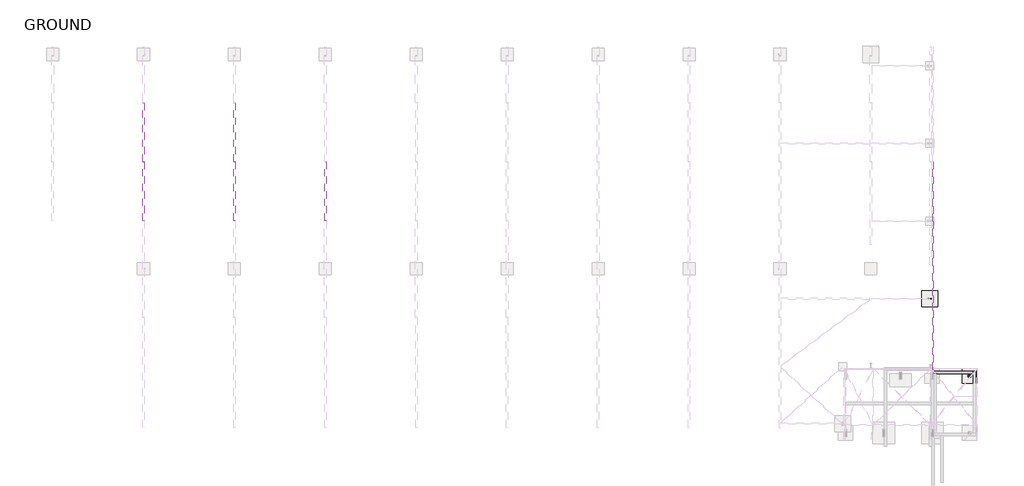
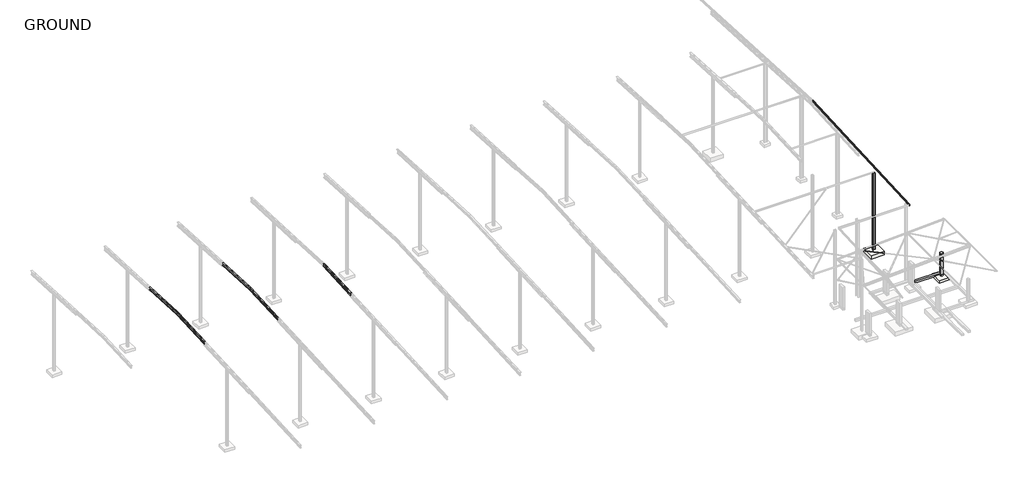
# One storey, part 51 of 56: 7 beams, 2 columns, 2 slabs.
"""IFC4 building model written with IfcOpenShell, lengths in millimetres."""

from ifc_helpers import new_model, si_unit, point, frame, frame_2d, origin, place, context, project, spatial, polyline, circle_curve, ellipse_curve, trimmed, segment, composite_curve, outline, extrude, faceted_brep, element, save
from ifc_brep_helpers import plane_surface, revolved_surface, advanced_brep

model = new_model("IFC4")

# Units and contexts
model_context = context("Model", 3, world=origin())
ifc_project = project(units=[si_unit("LENGTHUNIT", "METRE", prefix="MILLI")], contexts=[model_context])

# Site, building, storey
site = spatial("IfcSite", under=ifc_project)
building = spatial("IfcBuilding", under=site)
storey = spatial("IfcBuildingStorey", under=building, Name="GROUND", Elevation=47100.0)

# Beams
placement = place(None, origin())
element("IfcBeam", 1, ObjectType="BP1-C25019", at=placement, inside=storey, context=model_context, shape_type="Brep", body=[
    faceted_brep([(-29148.4862701, 177086.28001, 59444.4930881), (-29148.4862701, 177087.483737, 59421.5246088), (-29146.5862701, 177087.483737, 59421.5246088), (-29146.5862701, 177086.3794483, 59442.595692), (-29077.8862701, 177086.3794483, 59442.595692), (-29077.8862701, 177099.4739046, 59192.7385824), (-29146.5862701, 177099.4739046, 59192.7385824), (-29146.5862701, 177098.3696159, 59213.8096656), (-29148.4862701, 177098.3696159, 59213.8096656), (-29148.4862701, 177099.5733429, 59190.8411863), (-29075.9862701, 177099.5733429, 59190.8411863), (-29075.9862701, 177086.28001, 59444.4930881), (-29148.4862701, 202970.0, 60801.0013723), (-29148.4862701, 202970.0, 60777.9698084), (-29146.5862701, 202970.0, 60777.9698084), (-29146.5862701, 202970.0, 60799.0987649), (-29077.8862701, 202970.0, 60799.0987649), (-29077.8862701, 202970.0, 60548.5554039), (-29146.5862701, 202970.0, 60548.5554039), (-29146.5862701, 202970.0, 60569.6843604), (-29148.4862701, 202970.0, 60569.6843604), (-29148.4862701, 202970.0, 60546.6527965), (-29075.9862701, 202970.0, 60546.6527965), (-29075.9862701, 202970.0, 60801.0013723)], [[[0, 1, 2, 3, 4, 5, 6, 7, 8, 9, 10, 11]], [[1, 0, 12, 13]], [[2, 1, 13, 14]], [[3, 2, 14, 15]], [[4, 3, 15, 16]], [[5, 4, 16, 17]], [[6, 5, 17, 18]], [[7, 6, 18, 19]], [[8, 7, 19, 20]], [[9, 8, 20, 21]], [[10, 9, 21, 22]], [[11, 10, 22, 23]], [[0, 11, 23, 12]], [[12, 23, 22, 21, 20, 19, 18, 17, 16, 15, 14, 13]]]),
])
element("IfcBeam", 2, ObjectType="NRP_Concrete Beam : EB1 - 400 x 300", at=placement, inside=storey, context=model_context, shape_type="Brep", body=[
    faceted_brep([(-24096.9863178, 176639.0, 46900.0), (-28725.9863178, 176639.0, 46900.0), (-29025.9863178, 176639.0, 46900.0), (-29025.9863178, 176639.0, 46800.0), (-28961.5907618, 176639.0, 46800.0), (-28961.5907618, 176639.0, 46700.0), (-28725.9863178, 176639.0, 46700.0), (-28325.9863178, 176639.0, 46700.0), (-28325.9863178, 176639.0, 46600.0), (-25481.9363178, 176639.0, 46600.0), (-25481.9363178, 176639.0, 46700.0), (-24096.9863178, 176639.0, 46700.0), (-25481.9363178, 176939.0, 46600.0), (-28325.9863178, 176939.0, 46600.0), (-29025.9863178, 176939.0, 46900.0), (-24096.9863178, 176939.0, 46900.0), (-24096.9863178, 176939.0, 46700.0), (-25481.9363178, 176939.0, 46700.0), (-28325.9863178, 176939.0, 46700.0), (-28961.5907618, 176939.0, 46700.0), (-28961.5907618, 176939.0, 46800.0), (-29025.9863178, 176939.0, 46800.0)], [[[0, 1, 2, 3, 4, 5, 6, 7, 8, 9, 10, 11]], [[12, 9, 8, 13]], [[14, 15, 16, 17, 12, 13, 18, 19, 20, 21]], [[15, 0, 11, 16]], [[2, 1, 0, 15, 14]], [[11, 10, 17, 16]], [[10, 9, 12, 17]], [[18, 7, 6, 5, 19]], [[8, 7, 18, 13]], [[2, 14, 21, 3]], [[4, 20, 19, 5]], [[20, 4, 3, 21]]]),
])
element("IfcBeam", 3, ObjectType="R10-410UB59.7", at=placement, inside=storey, context=model_context, shape_type="AdvancedBrep", body=[
    advanced_brep(
    [(-127230.1885398, 202970.0, 60153.9145624), (-127241.5885398, 202970.0, 60142.4989176), (-127241.5885398, 195650.3170897, 59758.8905912), (-127230.1885398, 195649.7204598, 59770.2749679), (-127230.1885398, 202970.0, 60512.4058622), (-127230.1885398, 195630.9841874, 60127.7843414), (-127241.5885398, 202970.0, 60523.821507), (-127241.5885398, 195630.3875575, 60139.1687181), (-127315.2885398, 202970.0, 60523.821507), (-127315.2885398, 195630.3875575, 60139.1687181), (-127315.2885398, 202970.0, 60536.639073), (-127315.2885398, 195629.7176573, 60151.9511761), (-127137.2885398, 202970.0, 60536.639073), (-127137.2885398, 195629.7176573, 60151.9511761), (-127137.2885398, 202970.0, 60523.821507), (-127137.2885398, 195630.3875575, 60139.1687181), (-127315.2885398, 195650.3170897, 59758.8905912), (-127315.2885398, 195650.9869899, 59746.1081332), (-127137.2885398, 195650.9869899, 59746.1081332), (-127137.2885398, 195650.3170897, 59758.8905912), (-127210.9885398, 195650.3170897, 59758.8905912), (-127222.3885398, 195649.7204598, 59770.2749679), (-127222.3885398, 195630.9841874, 60127.7843414), (-127210.9885398, 195630.3875575, 60139.1687181), (-127315.2885398, 202970.0, 60142.4989176), (-127210.9885398, 202970.0, 60523.821507), (-127222.3885398, 202970.0, 60512.4058622), (-127222.3885398, 202970.0, 60153.9145624), (-127210.9885398, 202970.0, 60142.4989176), (-127137.2885398, 202970.0, 60142.4989176), (-127137.2885398, 202970.0, 60129.6813516), (-127315.2885398, 202970.0, 60129.6813516)],
    [
        (0, 1, ellipse_curve(frame((-127241.5885398, 202970.0, 60153.9145624), z_axis=(0.0, 1.0, 0.0), x_axis=(0.0, 0.0, -0.9999999999999999)), 11.4156447, 11.4)),
        (1, 2),
        (2, 3, circle_curve(frame((-127241.5885398, 195649.7204598, 59770.2749679), z_axis=(0.0, -0.9986295347545777, -0.05233595624287094), x_axis=(1.0, 0.0, 0.0)), 11.4)),
        (3, 0),
        (4, 0),
        (3, 5),
        (5, 4),
        (6, 4, ellipse_curve(frame((-127241.5885398, 202970.0, 60512.4058622), z_axis=(0.0, 1.0, 0.0), x_axis=(0.0, 0.0, -0.9999999999999999)), 11.4156447, 11.4)),
        (5, 7, circle_curve(frame((-127241.5885398, 195630.9841874, 60127.7843414), z_axis=(0.0, -0.9986295347545777, -0.05233595624287094), x_axis=(1.0, 0.0, 0.0)), 11.4)),
        (7, 6),
        (8, 6),
        (7, 9),
        (9, 8),
        (10, 8),
        (9, 11),
        (11, 10),
        (12, 10),
        (11, 13),
        (13, 12),
        (14, 12),
        (13, 15),
        (15, 14),
        (16, 17),
        (17, 18),
        (18, 19),
        (19, 20),
        (20, 21, circle_curve(frame((-127210.9885398, 195649.7204598, 59770.2749679), z_axis=(0.0, 0.9986295347545777, 0.05233595624287094), x_axis=(1.0, 0.0, 0.0)), 11.4)),
        (21, 22),
        (22, 23, circle_curve(frame((-127210.9885398, 195630.9841874, 60127.7843414), z_axis=(0.0, 0.9986295347545777, 0.05233595624287094), x_axis=(1.0, 0.0, 0.0)), 11.4)),
        (23, 15),
        (2, 16),
        (1, 24),
        (24, 16),
        (25, 14),
        (23, 25),
        (26, 25, ellipse_curve(frame((-127210.9885398, 202970.0, 60512.4058622), z_axis=(0.0, 1.0, 0.0), x_axis=(0.0, 0.0, -0.9999999999999999)), 11.4156447, 11.4)),
        (22, 26),
        (27, 26),
        (21, 27),
        (28, 27, ellipse_curve(frame((-127210.9885398, 202970.0, 60153.9145624), z_axis=(0.0, 1.0, 0.0), x_axis=(0.0, 0.0, -0.9999999999999999)), 11.4156447, 11.4)),
        (20, 28),
        (29, 28),
        (19, 29),
        (30, 29),
        (18, 30),
        (31, 30),
        (17, 31),
        (24, 31),
    ],
    [
        revolved_surface(polyline([(-127230.1885398, 195649.72045979777, 59770.27496791633), (-127230.1885398, 202970.59662990153, 60153.94583039707)]), (-127241.5885398, 202957.6913951, 60153.2694957), (0.0, -0.9986295347545777, -0.05233595624287094)),
        plane_surface(frame((-127230.1885398, 202957.6913951, 60153.2694957), z_axis=(-1.0, 0.0, 0.0), x_axis=(0.0, -0.9986295347545777, -0.05233595624287094))),
        revolved_surface(polyline([(-127230.1885398, 195630.98418739942, 60127.784341411185), (-127230.1885398, 202970.5966299003, 60512.43713032029)]), (-127241.5885398, 202938.9551228, 60510.7788692), (0.0, -0.9986295347545777, -0.05233595624287094)),
        plane_surface(frame((-127241.5885398, 202938.3584929, 60522.1632459), z_axis=(0.0, 0.05233595624287094, -0.9986295347545777), x_axis=(0.0, -0.9986295347545777, -0.05233595624287094))),
        plane_surface(frame((-127315.2885398, 202938.3584929, 60522.1632459), z_axis=(-1.0, 0.0, 0.0), x_axis=(0.0, -0.9986295347545777, -0.05233595624287094))),
        plane_surface(frame((-127315.2885398, 202937.6885926, 60534.9457039), z_axis=(0.0, -0.05233595624287094, 0.9986295347545777), x_axis=(0.0, -0.9986295347545777, -0.05233595624287094))),
        plane_surface(frame((-127137.2885398, 202937.6885926, 60534.9457039), z_axis=(1.0, 0.0, 0.0), x_axis=(0.0, -0.9986295347545777, -0.05233595624287094))),
        plane_surface(frame((-127226.2885398, 195640.3523236, 59949.0296546), z_axis=(0.0, -0.9986295347545777, -0.05233595624287096), x_axis=(0.0, -0.05233595624287096, 0.9986295347545777))),
        plane_surface(frame((-127315.2885398, 202958.288025, 60141.885119), z_axis=(0.0, -0.05233595624287094, 0.9986295347545777), x_axis=(0.0, -0.9986295347545777, -0.05233595624287094))),
        plane_surface(frame((-127137.2885398, 202938.3584929, 60522.1632459), z_axis=(0.0, 0.05233595624287094, -0.9986295347545777), x_axis=(0.0, -0.9986295347545777, -0.05233595624287094))),
        revolved_surface(polyline([(-127199.58853980001, 195630.98418739942, 60127.784341411185), (-127199.58853980001, 202970.5966299003, 60512.43713032029)]), (-127210.9885398, 202938.9551228, 60510.7788692), (0.0, -0.9986295347545777, -0.05233595624287094)),
        plane_surface(frame((-127222.3885398, 202938.9551228, 60510.7788692), z_axis=(1.0, 0.0, 0.0), x_axis=(0.0, -0.9986295347545777, -0.05233595624287094))),
        revolved_surface(polyline([(-127199.58853980001, 195649.72045979777, 59770.27496791633), (-127199.58853980001, 202970.59662990153, 60153.94583039707)]), (-127210.9885398, 202957.6913951, 60153.2694957), (0.0, -0.9986295347545777, -0.05233595624287094)),
        plane_surface(frame((-127210.9885398, 202958.288025, 60141.885119), z_axis=(0.0, -0.05233595624287094, 0.9986295347545777), x_axis=(0.0, -0.9986295347545777, -0.05233595624287094))),
        plane_surface(frame((-127137.2885398, 202958.288025, 60141.885119), z_axis=(1.0, 0.0, 0.0), x_axis=(0.0, -0.9986295347545777, -0.05233595624287094))),
        plane_surface(frame((-127137.2885398, 202958.9579253, 60129.102661), z_axis=(0.0, 0.05233595624287094, -0.9986295347545777), x_axis=(0.0, -0.9986295347545777, -0.05233595624287094))),
        plane_surface(frame((-127315.2885398, 202958.9579253, 60129.102661), z_axis=(-1.0, 0.0, 0.0), x_axis=(0.0, -0.9986295347545777, -0.05233595624287094))),
        plane_surface(frame((-127226.2885398, 202970.0, 60129.6813516), z_axis=(0.0, 1.0, 0.0), x_axis=(0.0, 0.0, -1.0))),
    ],
    [
        (0, [[1, 2, 3, 4]]),
        (1, [[5, -4, 6, 7]]),
        (2, [[8, -7, 9, 10]]),
        (3, [[11, -10, 12, 13]]),
        (4, [[14, -13, 15, 16]]),
        (5, [[17, -16, 18, 19]]),
        (6, [[20, -19, 21, 22]]),
        (7, [[23, 24, 25, 26, 27, 28, 29, 30, -21, -18, -15, -12, -9, -6, -3, 31]]),
        (8, [[32, 33, -31, -2]]),
        (9, [[34, -22, -30, 35]]),
        (10, [[36, -35, -29, 37]]),
        (11, [[38, -37, -28, 39]]),
        (12, [[40, -39, -27, 41]]),
        (13, [[42, -41, -26, 43]]),
        (14, [[44, -43, -25, 45]]),
        (15, [[46, -45, -24, 47]]),
        (16, [[48, -47, -23, -33]]),
        (17, [[-32, -1, -5, -8, -11, -14, -17, -20, -34, -36, -38, -40, -42, -44, -46, -48]]),
    ],
),
])
element("IfcBeam", 4, ObjectType="R10-410UB59.7", at=placement, inside=storey, context=model_context, shape_type="AdvancedBrep", body=[
    advanced_brep(
    [(-115930.1885398, 202970.0, 60153.9145624), (-115941.5885398, 202970.0, 60142.4989176), (-115941.5885398, 195650.3170897, 59758.8905912), (-115930.1885398, 195649.7204598, 59770.2749679), (-115930.1885398, 202970.0, 60512.4058622), (-115930.1885398, 195630.9841874, 60127.7843414), (-115941.5885398, 202970.0, 60523.821507), (-115941.5885398, 195630.3875575, 60139.1687181), (-116015.2885398, 202970.0, 60523.821507), (-116015.2885398, 195630.3875575, 60139.1687181), (-116015.2885398, 202970.0, 60536.639073), (-116015.2885398, 195629.7176573, 60151.9511761), (-115837.2885398, 202970.0, 60536.639073), (-115837.2885398, 195629.7176573, 60151.9511761), (-115837.2885398, 202970.0, 60523.821507), (-115837.2885398, 195630.3875575, 60139.1687181), (-116015.2885398, 195650.3170897, 59758.8905912), (-116015.2885398, 195650.9869899, 59746.1081332), (-115837.2885398, 195650.9869899, 59746.1081332), (-115837.2885398, 195650.3170897, 59758.8905912), (-115910.9885398, 195650.3170897, 59758.8905912), (-115922.3885398, 195649.7204598, 59770.2749679), (-115922.3885398, 195630.9841874, 60127.7843414), (-115910.9885398, 195630.3875575, 60139.1687181), (-116015.2885398, 202970.0, 60142.4989176), (-115910.9885398, 202970.0, 60523.821507), (-115922.3885398, 202970.0, 60512.4058622), (-115922.3885398, 202970.0, 60153.9145624), (-115910.9885398, 202970.0, 60142.4989176), (-115837.2885398, 202970.0, 60142.4989176), (-115837.2885398, 202970.0, 60129.6813516), (-116015.2885398, 202970.0, 60129.6813516)],
    [
        (0, 1, ellipse_curve(frame((-115941.5885398, 202970.0, 60153.9145624), z_axis=(0.0, 1.0, 0.0), x_axis=(0.0, 0.0, -0.9999999999999999)), 11.4156447, 11.4)),
        (1, 2),
        (2, 3, circle_curve(frame((-115941.5885398, 195649.7204598, 59770.2749679), z_axis=(0.0, -0.9986295347545777, -0.05233595624287094), x_axis=(1.0, 0.0, 0.0)), 11.4)),
        (3, 0),
        (4, 0),
        (3, 5),
        (5, 4),
        (6, 4, ellipse_curve(frame((-115941.5885398, 202970.0, 60512.4058622), z_axis=(0.0, 1.0, 0.0), x_axis=(0.0, 0.0, -0.9999999999999999)), 11.4156447, 11.4)),
        (5, 7, circle_curve(frame((-115941.5885398, 195630.9841874, 60127.7843414), z_axis=(0.0, -0.9986295347545777, -0.05233595624287094), x_axis=(1.0, 0.0, 0.0)), 11.4)),
        (7, 6),
        (8, 6),
        (7, 9),
        (9, 8),
        (10, 8),
        (9, 11),
        (11, 10),
        (12, 10),
        (11, 13),
        (13, 12),
        (14, 12),
        (13, 15),
        (15, 14),
        (16, 17),
        (17, 18),
        (18, 19),
        (19, 20),
        (20, 21, circle_curve(frame((-115910.9885398, 195649.7204598, 59770.2749679), z_axis=(0.0, 0.9986295347545777, 0.05233595624287094), x_axis=(1.0, 0.0, 0.0)), 11.4)),
        (21, 22),
        (22, 23, circle_curve(frame((-115910.9885398, 195630.9841874, 60127.7843414), z_axis=(0.0, 0.9986295347545777, 0.05233595624287094), x_axis=(1.0, 0.0, 0.0)), 11.4)),
        (23, 15),
        (2, 16),
        (1, 24),
        (24, 16),
        (25, 14),
        (23, 25),
        (26, 25, ellipse_curve(frame((-115910.9885398, 202970.0, 60512.4058622), z_axis=(0.0, 1.0, 0.0), x_axis=(0.0, 0.0, -0.9999999999999999)), 11.4156447, 11.4)),
        (22, 26),
        (27, 26),
        (21, 27),
        (28, 27, ellipse_curve(frame((-115910.9885398, 202970.0, 60153.9145624), z_axis=(0.0, 1.0, 0.0), x_axis=(0.0, 0.0, -0.9999999999999999)), 11.4156447, 11.4)),
        (20, 28),
        (29, 28),
        (19, 29),
        (30, 29),
        (18, 30),
        (31, 30),
        (17, 31),
        (24, 31),
    ],
    [
        revolved_surface(polyline([(-115930.1885398, 195649.72045979777, 59770.27496791633), (-115930.1885398, 202970.59662990153, 60153.94583039707)]), (-115941.5885398, 202957.6913951, 60153.2694957), (0.0, -0.9986295347545777, -0.05233595624287094)),
        plane_surface(frame((-115930.1885398, 202957.6913951, 60153.2694957), z_axis=(-1.0, 0.0, 0.0), x_axis=(0.0, -0.9986295347545777, -0.05233595624287094))),
        revolved_surface(polyline([(-115930.1885398, 195630.98418739942, 60127.784341411185), (-115930.1885398, 202970.5966299003, 60512.43713032029)]), (-115941.5885398, 202938.9551228, 60510.7788692), (0.0, -0.9986295347545777, -0.05233595624287094)),
        plane_surface(frame((-115941.5885398, 202938.3584929, 60522.1632459), z_axis=(0.0, 0.05233595624287094, -0.9986295347545777), x_axis=(0.0, -0.9986295347545777, -0.05233595624287094))),
        plane_surface(frame((-116015.2885398, 202938.3584929, 60522.1632459), z_axis=(-1.0, 0.0, 0.0), x_axis=(0.0, -0.9986295347545777, -0.05233595624287094))),
        plane_surface(frame((-116015.2885398, 202937.6885926, 60534.9457039), z_axis=(0.0, -0.05233595624287094, 0.9986295347545777), x_axis=(0.0, -0.9986295347545777, -0.05233595624287094))),
        plane_surface(frame((-115837.2885398, 202937.6885926, 60534.9457039), z_axis=(1.0, 0.0, 0.0), x_axis=(0.0, -0.9986295347545777, -0.05233595624287094))),
        plane_surface(frame((-115926.2885398, 195640.3523236, 59949.0296546), z_axis=(0.0, -0.9986295347545777, -0.05233595624287096), x_axis=(0.0, -0.05233595624287096, 0.9986295347545777))),
        plane_surface(frame((-116015.2885398, 202958.288025, 60141.885119), z_axis=(0.0, -0.05233595624287094, 0.9986295347545777), x_axis=(0.0, -0.9986295347545777, -0.05233595624287094))),
        plane_surface(frame((-115837.2885398, 202938.3584929, 60522.1632459), z_axis=(0.0, 0.05233595624287094, -0.9986295347545777), x_axis=(0.0, -0.9986295347545777, -0.05233595624287094))),
        revolved_surface(polyline([(-115899.58853980001, 195630.98418739942, 60127.784341411185), (-115899.58853980001, 202970.5966299003, 60512.43713032029)]), (-115910.9885398, 202938.9551228, 60510.7788692), (0.0, -0.9986295347545777, -0.05233595624287094)),
        plane_surface(frame((-115922.3885398, 202938.9551228, 60510.7788692), z_axis=(1.0, 0.0, 0.0), x_axis=(0.0, -0.9986295347545777, -0.05233595624287094))),
        revolved_surface(polyline([(-115899.58853980001, 195649.72045979777, 59770.27496791633), (-115899.58853980001, 202970.59662990153, 60153.94583039707)]), (-115910.9885398, 202957.6913951, 60153.2694957), (0.0, -0.9986295347545777, -0.05233595624287094)),
        plane_surface(frame((-115910.9885398, 202958.288025, 60141.885119), z_axis=(0.0, -0.05233595624287094, 0.9986295347545777), x_axis=(0.0, -0.9986295347545777, -0.05233595624287094))),
        plane_surface(frame((-115837.2885398, 202958.288025, 60141.885119), z_axis=(1.0, 0.0, 0.0), x_axis=(0.0, -0.9986295347545777, -0.05233595624287094))),
        plane_surface(frame((-115837.2885398, 202958.9579253, 60129.102661), z_axis=(0.0, 0.05233595624287094, -0.9986295347545777), x_axis=(0.0, -0.9986295347545777, -0.05233595624287094))),
        plane_surface(frame((-116015.2885398, 202958.9579253, 60129.102661), z_axis=(-1.0, 0.0, 0.0), x_axis=(0.0, -0.9986295347545777, -0.05233595624287094))),
        plane_surface(frame((-115926.2885398, 202970.0, 60129.6813516), z_axis=(0.0, 1.0, 0.0), x_axis=(0.0, 0.0, -1.0))),
    ],
    [
        (0, [[1, 2, 3, 4]]),
        (1, [[5, -4, 6, 7]]),
        (2, [[8, -7, 9, 10]]),
        (3, [[11, -10, 12, 13]]),
        (4, [[14, -13, 15, 16]]),
        (5, [[17, -16, 18, 19]]),
        (6, [[20, -19, 21, 22]]),
        (7, [[23, 24, 25, 26, 27, 28, 29, 30, -21, -18, -15, -12, -9, -6, -3, 31]]),
        (8, [[32, 33, -31, -2]]),
        (9, [[34, -22, -30, 35]]),
        (10, [[36, -35, -29, 37]]),
        (11, [[38, -37, -28, 39]]),
        (12, [[40, -39, -27, 41]]),
        (13, [[42, -41, -26, 43]]),
        (14, [[44, -43, -25, 45]]),
        (15, [[46, -45, -24, 47]]),
        (16, [[48, -47, -23, -33]]),
        (17, [[-32, -1, -5, -8, -11, -14, -17, -20, -34, -36, -38, -40, -42, -44, -46, -48]]),
    ],
),
])
element("IfcBeam", 5, ObjectType="R10-410UB59.7", at=placement, inside=storey, context=model_context, shape_type="AdvancedBrep", body=[
    advanced_brep(
    [(-104630.1885398, 202970.0, 60153.9145624), (-104641.5885398, 202970.0, 60142.4989176), (-104641.5885398, 195650.3170897, 59758.8905912), (-104630.1885398, 195649.7204598, 59770.2749679), (-104630.1885398, 202970.0, 60512.4058622), (-104630.1885398, 195630.9841874, 60127.7843414), (-104641.5885398, 202970.0, 60523.821507), (-104641.5885398, 195630.3875575, 60139.1687181), (-104715.2885398, 202970.0, 60523.821507), (-104715.2885398, 195630.3875575, 60139.1687181), (-104715.2885398, 202970.0, 60536.639073), (-104715.2885398, 195629.7176573, 60151.9511761), (-104537.2885398, 202970.0, 60536.639073), (-104537.2885398, 195629.7176573, 60151.9511761), (-104537.2885398, 202970.0, 60523.821507), (-104537.2885398, 195630.3875575, 60139.1687181), (-104715.2885398, 195650.3170897, 59758.8905912), (-104715.2885398, 195650.9869899, 59746.1081332), (-104537.2885398, 195650.9869899, 59746.1081332), (-104537.2885398, 195650.3170897, 59758.8905912), (-104610.9885398, 195650.3170897, 59758.8905912), (-104622.3885398, 195649.7204598, 59770.2749679), (-104622.3885398, 195630.9841874, 60127.7843414), (-104610.9885398, 195630.3875575, 60139.1687181), (-104715.2885398, 202970.0, 60142.4989176), (-104610.9885398, 202970.0, 60523.821507), (-104622.3885398, 202970.0, 60512.4058622), (-104622.3885398, 202970.0, 60153.9145624), (-104610.9885398, 202970.0, 60142.4989176), (-104537.2885398, 202970.0, 60142.4989176), (-104537.2885398, 202970.0, 60129.6813516), (-104715.2885398, 202970.0, 60129.6813516)],
    [
        (0, 1, ellipse_curve(frame((-104641.5885398, 202970.0, 60153.9145624), z_axis=(0.0, 1.0, 0.0), x_axis=(0.0, 0.0, -0.9999999999999999)), 11.4156447, 11.4)),
        (1, 2),
        (2, 3, circle_curve(frame((-104641.5885398, 195649.7204598, 59770.2749679), z_axis=(0.0, -0.9986295347545777, -0.05233595624287094), x_axis=(1.0, 0.0, 0.0)), 11.4)),
        (3, 0),
        (4, 0),
        (3, 5),
        (5, 4),
        (6, 4, ellipse_curve(frame((-104641.5885398, 202970.0, 60512.4058622), z_axis=(0.0, 1.0, 0.0), x_axis=(0.0, 0.0, -0.9999999999999999)), 11.4156447, 11.4)),
        (5, 7, circle_curve(frame((-104641.5885398, 195630.9841874, 60127.7843414), z_axis=(0.0, -0.9986295347545777, -0.05233595624287094), x_axis=(1.0, 0.0, 0.0)), 11.4)),
        (7, 6),
        (8, 6),
        (7, 9),
        (9, 8),
        (10, 8),
        (9, 11),
        (11, 10),
        (12, 10),
        (11, 13),
        (13, 12),
        (14, 12),
        (13, 15),
        (15, 14),
        (16, 17),
        (17, 18),
        (18, 19),
        (19, 20),
        (20, 21, circle_curve(frame((-104610.9885398, 195649.7204598, 59770.2749679), z_axis=(0.0, 0.9986295347545777, 0.05233595624287094), x_axis=(1.0, 0.0, 0.0)), 11.4)),
        (21, 22),
        (22, 23, circle_curve(frame((-104610.9885398, 195630.9841874, 60127.7843414), z_axis=(0.0, 0.9986295347545777, 0.05233595624287094), x_axis=(1.0, 0.0, 0.0)), 11.4)),
        (23, 15),
        (2, 16),
        (1, 24),
        (24, 16),
        (25, 14),
        (23, 25),
        (26, 25, ellipse_curve(frame((-104610.9885398, 202970.0, 60512.4058622), z_axis=(0.0, 1.0, 0.0), x_axis=(0.0, 0.0, -0.9999999999999999)), 11.4156447, 11.4)),
        (22, 26),
        (27, 26),
        (21, 27),
        (28, 27, ellipse_curve(frame((-104610.9885398, 202970.0, 60153.9145624), z_axis=(0.0, 1.0, 0.0), x_axis=(0.0, 0.0, -0.9999999999999999)), 11.4156447, 11.4)),
        (20, 28),
        (29, 28),
        (19, 29),
        (30, 29),
        (18, 30),
        (31, 30),
        (17, 31),
        (24, 31),
    ],
    [
        revolved_surface(polyline([(-104630.1885398, 195649.72045979777, 59770.27496791633), (-104630.1885398, 202970.59662990153, 60153.94583039707)]), (-104641.5885398, 202957.6913951, 60153.2694957), (0.0, -0.9986295347545777, -0.05233595624287094)),
        plane_surface(frame((-104630.1885398, 202957.6913951, 60153.2694957), z_axis=(-1.0, 0.0, 0.0), x_axis=(0.0, -0.9986295347545777, -0.05233595624287094))),
        revolved_surface(polyline([(-104630.1885398, 195630.98418739942, 60127.784341411185), (-104630.1885398, 202970.5966299003, 60512.43713032029)]), (-104641.5885398, 202938.9551228, 60510.7788692), (0.0, -0.9986295347545777, -0.05233595624287094)),
        plane_surface(frame((-104641.5885398, 202938.3584929, 60522.1632459), z_axis=(0.0, 0.05233595624287094, -0.9986295347545777), x_axis=(0.0, -0.9986295347545777, -0.05233595624287094))),
        plane_surface(frame((-104715.2885398, 202938.3584929, 60522.1632459), z_axis=(-1.0, 0.0, 0.0), x_axis=(0.0, -0.9986295347545777, -0.05233595624287094))),
        plane_surface(frame((-104715.2885398, 202937.6885926, 60534.9457039), z_axis=(0.0, -0.05233595624287094, 0.9986295347545777), x_axis=(0.0, -0.9986295347545777, -0.05233595624287094))),
        plane_surface(frame((-104537.2885398, 202937.6885926, 60534.9457039), z_axis=(1.0, 0.0, 0.0), x_axis=(0.0, -0.9986295347545777, -0.05233595624287094))),
        plane_surface(frame((-104626.2885398, 195640.3523236, 59949.0296546), z_axis=(0.0, -0.9986295347545777, -0.05233595624287096), x_axis=(0.0, -0.05233595624287096, 0.9986295347545777))),
        plane_surface(frame((-104715.2885398, 202958.288025, 60141.885119), z_axis=(0.0, -0.05233595624287094, 0.9986295347545777), x_axis=(0.0, -0.9986295347545777, -0.05233595624287094))),
        plane_surface(frame((-104537.2885398, 202938.3584929, 60522.1632459), z_axis=(0.0, 0.05233595624287094, -0.9986295347545777), x_axis=(0.0, -0.9986295347545777, -0.05233595624287094))),
        revolved_surface(polyline([(-104599.58853980001, 195630.98418739942, 60127.784341411185), (-104599.58853980001, 202970.5966299003, 60512.43713032029)]), (-104610.9885398, 202938.9551228, 60510.7788692), (0.0, -0.9986295347545777, -0.05233595624287094)),
        plane_surface(frame((-104622.3885398, 202938.9551228, 60510.7788692), z_axis=(1.0, 0.0, 0.0), x_axis=(0.0, -0.9986295347545777, -0.05233595624287094))),
        revolved_surface(polyline([(-104599.58853980001, 195649.72045979777, 59770.27496791633), (-104599.58853980001, 202970.59662990153, 60153.94583039707)]), (-104610.9885398, 202957.6913951, 60153.2694957), (0.0, -0.9986295347545777, -0.05233595624287094)),
        plane_surface(frame((-104610.9885398, 202958.288025, 60141.885119), z_axis=(0.0, -0.05233595624287094, 0.9986295347545777), x_axis=(0.0, -0.9986295347545777, -0.05233595624287094))),
        plane_surface(frame((-104537.2885398, 202958.288025, 60141.885119), z_axis=(1.0, 0.0, 0.0), x_axis=(0.0, -0.9986295347545777, -0.05233595624287094))),
        plane_surface(frame((-104537.2885398, 202958.9579253, 60129.102661), z_axis=(0.0, 0.05233595624287094, -0.9986295347545777), x_axis=(0.0, -0.9986295347545777, -0.05233595624287094))),
        plane_surface(frame((-104715.2885398, 202958.9579253, 60129.102661), z_axis=(-1.0, 0.0, 0.0), x_axis=(0.0, -0.9986295347545777, -0.05233595624287094))),
        plane_surface(frame((-104626.2885398, 202970.0, 60129.6813516), z_axis=(0.0, 1.0, 0.0), x_axis=(0.0, 0.0, -1.0))),
    ],
    [
        (0, [[1, 2, 3, 4]]),
        (1, [[5, -4, 6, 7]]),
        (2, [[8, -7, 9, 10]]),
        (3, [[11, -10, 12, 13]]),
        (4, [[14, -13, 15, 16]]),
        (5, [[17, -16, 18, 19]]),
        (6, [[20, -19, 21, 22]]),
        (7, [[23, 24, 25, 26, 27, 28, 29, 30, -21, -18, -15, -12, -9, -6, -3, 31]]),
        (8, [[32, 33, -31, -2]]),
        (9, [[34, -22, -30, 35]]),
        (10, [[36, -35, -29, 37]]),
        (11, [[38, -37, -28, 39]]),
        (12, [[40, -39, -27, 41]]),
        (13, [[42, -41, -26, 43]]),
        (14, [[44, -43, -25, 45]]),
        (15, [[46, -45, -24, 47]]),
        (16, [[48, -47, -23, -33]]),
        (17, [[-32, -1, -5, -8, -11, -14, -17, -20, -34, -36, -38, -40, -42, -44, -46, -48]]),
    ],
),
])
element("IfcBeam", 6, ObjectType="R10-410UB59.7", at=placement, inside=storey, context=model_context, shape_type="AdvancedBrep", body=[
    advanced_brep(
    [(-127230.1885398, 202970.0, 60153.9145624), (-127230.1885398, 210290.0800452, 59770.285423), (-127241.5885398, 210289.4834153, 59758.9010463), (-127241.5885398, 202970.0, 60142.4989176), (-127230.1885398, 202970.0, 60512.4058622), (-127230.1885398, 210308.8163176, 60127.7947965), (-127241.5885398, 202970.0, 60523.821507), (-127241.5885398, 210309.4129475, 60139.1791732), (-127315.2885398, 202970.0, 60523.821507), (-127315.2885398, 210309.4129475, 60139.1791732), (-127315.2885398, 202970.0, 60536.639073), (-127315.2885398, 210310.0828477, 60151.9616312), (-127137.2885398, 202970.0, 60536.639073), (-127137.2885398, 210310.0828477, 60151.9616312), (-127137.2885398, 202970.0, 60523.821507), (-127137.2885398, 210309.4129475, 60139.1791732), (-127315.2885398, 210289.4834153, 59758.9010463), (-127210.9885398, 210309.4129475, 60139.1791732), (-127222.3885398, 210308.8163176, 60127.7947965), (-127222.3885398, 210290.0800452, 59770.285423), (-127210.9885398, 210289.4834153, 59758.9010463), (-127137.2885398, 210289.4834153, 59758.9010463), (-127137.2885398, 210288.8135151, 59746.1185883), (-127315.2885398, 210288.8135151, 59746.1185883), (-127315.2885398, 202970.0, 60142.4989176), (-127210.9885398, 202970.0, 60523.821507), (-127222.3885398, 202970.0, 60512.4058622), (-127222.3885398, 202970.0, 60153.9145624), (-127210.9885398, 202970.0, 60142.4989176), (-127137.2885398, 202970.0, 60142.4989176), (-127137.2885398, 202970.0, 60129.6813516), (-127315.2885398, 202970.0, 60129.6813516)],
    [
        (0, 1),
        (1, 2, circle_curve(frame((-127241.5885398, 210290.0800452, 59770.285423), z_axis=(0.0, 0.9986295347545777, -0.05233595624287094), x_axis=(1.0, 0.0, 0.0)), 11.4)),
        (2, 3),
        (3, 0, ellipse_curve(frame((-127241.5885398, 202970.0, 60153.9145624), z_axis=(0.0, -1.0, 0.0), x_axis=(0.0, 0.0, -0.9999999999999999)), 11.4156447, 11.4)),
        (4, 5),
        (5, 1),
        (0, 4),
        (6, 7),
        (7, 5, circle_curve(frame((-127241.5885398, 210308.8163176, 60127.7947965), z_axis=(0.0, 0.9986295347545777, -0.05233595624287094), x_axis=(1.0, 0.0, 0.0)), 11.4)),
        (4, 6, ellipse_curve(frame((-127241.5885398, 202970.0, 60512.4058622), z_axis=(0.0, -1.0, 0.0), x_axis=(0.0, 0.0, -0.9999999999999999)), 11.4156447, 11.4)),
        (8, 9),
        (9, 7),
        (6, 8),
        (10, 11),
        (11, 9),
        (8, 10),
        (12, 13),
        (13, 11),
        (10, 12),
        (14, 15),
        (15, 13),
        (12, 14),
        (16, 2),
        (15, 17),
        (17, 18, circle_curve(frame((-127210.9885398, 210308.8163176, 60127.7947965), z_axis=(0.0, -0.9986295347545777, 0.05233595624287094), x_axis=(1.0, 0.0, 0.0)), 11.4)),
        (18, 19),
        (19, 20, circle_curve(frame((-127210.9885398, 210290.0800452, 59770.285423), z_axis=(0.0, -0.9986295347545777, 0.05233595624287094), x_axis=(1.0, 0.0, 0.0)), 11.4)),
        (20, 21),
        (21, 22),
        (22, 23),
        (23, 16),
        (16, 24),
        (24, 3),
        (25, 17),
        (14, 25),
        (26, 18),
        (25, 26, ellipse_curve(frame((-127210.9885398, 202970.0, 60512.4058622), z_axis=(0.0, -1.0, 0.0), x_axis=(0.0, 0.0, -0.9999999999999999)), 11.4156447, 11.4)),
        (27, 19),
        (26, 27),
        (28, 20),
        (27, 28, ellipse_curve(frame((-127210.9885398, 202970.0, 60153.9145624), z_axis=(0.0, -1.0, 0.0), x_axis=(0.0, 0.0, -0.9999999999999999)), 11.4156447, 11.4)),
        (29, 21),
        (28, 29),
        (30, 22),
        (29, 30),
        (31, 23),
        (30, 31),
        (31, 24),
    ],
    [
        revolved_surface(polyline([(-127230.1885398, 210290.08004520222, 59770.285423016336), (-127230.1885398, 202969.403370099, 60153.945830407116)]), (-127241.5885398, 202982.1091099, 60153.2799508), (0.0, 0.9986295347545777, -0.05233595624287094)),
        plane_surface(frame((-127230.1885398, 202982.1091099, 60153.2799508), z_axis=(-1.0, 0.0, 0.0), x_axis=(0.0, 0.9986295347545777, -0.05233595624287094))),
        revolved_surface(polyline([(-127230.1885398, 210308.81631759537, 60127.79479641146), (-127230.1885398, 202969.403370095, 60512.43713023061)]), (-127241.5885398, 203000.8453822, 60510.7893242), (0.0, 0.9986295347545777, -0.05233595624287094)),
        plane_surface(frame((-127241.5885398, 203001.4420121, 60522.1737009), z_axis=(0.0, -0.05233595624287094, -0.9986295347545777), x_axis=(0.0, 0.9986295347545777, -0.05233595624287094))),
        plane_surface(frame((-127315.2885398, 203001.4420121, 60522.1737009), z_axis=(-1.0, 0.0, 0.0), x_axis=(0.0, 0.9986295347545777, -0.05233595624287094))),
        plane_surface(frame((-127315.2885398, 203002.1119124, 60534.956159), z_axis=(0.0, 0.05233595624287094, 0.9986295347545777), x_axis=(0.0, 0.9986295347545777, -0.05233595624287094))),
        plane_surface(frame((-127137.2885398, 203002.1119124, 60534.956159), z_axis=(1.0, 0.0, 0.0), x_axis=(0.0, 0.9986295347545777, -0.05233595624287094))),
        plane_surface(frame((-127226.2885398, 210299.4481814, 59949.0401097), z_axis=(0.0, 0.9986295347545777, -0.05233595624287136), x_axis=(0.0, 0.05233595624287136, 0.9986295347545777))),
        plane_surface(frame((-127315.2885398, 202981.51248, 60141.8955741), z_axis=(0.0, 0.05233595624287094, 0.9986295347545777), x_axis=(0.0, 0.9986295347545777, -0.05233595624287094))),
        plane_surface(frame((-127137.2885398, 203001.4420121, 60522.1737009), z_axis=(0.0, -0.05233595624287094, -0.9986295347545777), x_axis=(0.0, 0.9986295347545777, -0.05233595624287094))),
        revolved_surface(polyline([(-127199.58853980001, 210308.81631759537, 60127.79479641146), (-127199.58853980001, 202969.403370095, 60512.43713023061)]), (-127210.9885398, 203000.8453822, 60510.7893242), (0.0, 0.9986295347545777, -0.05233595624287094)),
        plane_surface(frame((-127222.3885398, 203000.8453822, 60510.7893242), z_axis=(1.0, 0.0, 0.0), x_axis=(0.0, 0.9986295347545777, -0.05233595624287094))),
        revolved_surface(polyline([(-127199.58853980001, 210290.08004520222, 59770.285423016336), (-127199.58853980001, 202969.403370099, 60153.945830407116)]), (-127210.9885398, 202982.1091099, 60153.2799508), (0.0, 0.9986295347545777, -0.05233595624287094)),
        plane_surface(frame((-127210.9885398, 202981.51248, 60141.8955741), z_axis=(0.0, 0.05233595624287094, 0.9986295347545777), x_axis=(0.0, 0.9986295347545777, -0.05233595624287094))),
        plane_surface(frame((-127137.2885398, 202981.51248, 60141.8955741), z_axis=(1.0, 0.0, 0.0), x_axis=(0.0, 0.9986295347545777, -0.05233595624287094))),
        plane_surface(frame((-127137.2885398, 202980.8425797, 60129.1131161), z_axis=(0.0, -0.05233595624287094, -0.9986295347545777), x_axis=(0.0, 0.9986295347545777, -0.05233595624287094))),
        plane_surface(frame((-127315.2885398, 202980.8425797, 60129.1131161), z_axis=(-1.0, 0.0, 0.0), x_axis=(0.0, 0.9986295347545777, -0.05233595624287094))),
        plane_surface(frame((-127226.2885398, 202970.0, 60129.6813516), z_axis=(0.0, -1.0, 0.0), x_axis=(0.0, 0.0, 1.0))),
    ],
    [
        (0, [[1, 2, 3, 4]]),
        (1, [[5, 6, -1, 7]]),
        (2, [[8, 9, -5, 10]]),
        (3, [[11, 12, -8, 13]]),
        (4, [[14, 15, -11, 16]]),
        (5, [[17, 18, -14, 19]]),
        (6, [[20, 21, -17, 22]]),
        (7, [[23, -2, -6, -9, -12, -15, -18, -21, 24, 25, 26, 27, 28, 29, 30, 31]]),
        (8, [[-3, -23, 32, 33]]),
        (9, [[34, -24, -20, 35]]),
        (10, [[36, -25, -34, 37]]),
        (11, [[38, -26, -36, 39]]),
        (12, [[40, -27, -38, 41]]),
        (13, [[42, -28, -40, 43]]),
        (14, [[44, -29, -42, 45]]),
        (15, [[46, -30, -44, 47]]),
        (16, [[-32, -31, -46, 48]]),
        (17, [[-48, -47, -45, -43, -41, -39, -37, -35, -22, -19, -16, -13, -10, -7, -4, -33]]),
    ],
),
])
element("IfcBeam", 7, ObjectType="R10-410UB59.7", at=placement, inside=storey, context=model_context, shape_type="AdvancedBrep", body=[
    advanced_brep(
    [(-115930.1885398, 202970.0, 60153.9145624), (-115930.1885398, 210290.0800452, 59770.285423), (-115941.5885398, 210289.4834153, 59758.9010463), (-115941.5885398, 202970.0, 60142.4989176), (-115930.1885398, 202970.0, 60512.4058622), (-115930.1885398, 210308.8163176, 60127.7947965), (-115941.5885398, 202970.0, 60523.821507), (-115941.5885398, 210309.4129475, 60139.1791732), (-116015.2885398, 202970.0, 60523.821507), (-116015.2885398, 210309.4129475, 60139.1791732), (-116015.2885398, 202970.0, 60536.639073), (-116015.2885398, 210310.0828477, 60151.9616312), (-115837.2885398, 202970.0, 60536.639073), (-115837.2885398, 210310.0828477, 60151.9616312), (-115837.2885398, 202970.0, 60523.821507), (-115837.2885398, 210309.4129475, 60139.1791732), (-116015.2885398, 210289.4834153, 59758.9010463), (-115910.9885398, 210309.4129475, 60139.1791732), (-115922.3885398, 210308.8163176, 60127.7947965), (-115922.3885398, 210290.0800452, 59770.285423), (-115910.9885398, 210289.4834153, 59758.9010463), (-115837.2885398, 210289.4834153, 59758.9010463), (-115837.2885398, 210288.8135151, 59746.1185883), (-116015.2885398, 210288.8135151, 59746.1185883), (-116015.2885398, 202970.0, 60142.4989176), (-115910.9885398, 202970.0, 60523.821507), (-115922.3885398, 202970.0, 60512.4058622), (-115922.3885398, 202970.0, 60153.9145624), (-115910.9885398, 202970.0, 60142.4989176), (-115837.2885398, 202970.0, 60142.4989176), (-115837.2885398, 202970.0, 60129.6813516), (-116015.2885398, 202970.0, 60129.6813516)],
    [
        (0, 1),
        (1, 2, circle_curve(frame((-115941.5885398, 210290.0800452, 59770.285423), z_axis=(0.0, 0.9986295347545777, -0.05233595624287094), x_axis=(1.0, 0.0, 0.0)), 11.4)),
        (2, 3),
        (3, 0, ellipse_curve(frame((-115941.5885398, 202970.0, 60153.9145624), z_axis=(0.0, -1.0, 0.0), x_axis=(0.0, 0.0, -0.9999999999999999)), 11.4156447, 11.4)),
        (4, 5),
        (5, 1),
        (0, 4),
        (6, 7),
        (7, 5, circle_curve(frame((-115941.5885398, 210308.8163176, 60127.7947965), z_axis=(0.0, 0.9986295347545777, -0.05233595624287094), x_axis=(1.0, 0.0, 0.0)), 11.4)),
        (4, 6, ellipse_curve(frame((-115941.5885398, 202970.0, 60512.4058622), z_axis=(0.0, -1.0, 0.0), x_axis=(0.0, 0.0, -0.9999999999999999)), 11.4156447, 11.4)),
        (8, 9),
        (9, 7),
        (6, 8),
        (10, 11),
        (11, 9),
        (8, 10),
        (12, 13),
        (13, 11),
        (10, 12),
        (14, 15),
        (15, 13),
        (12, 14),
        (16, 2),
        (15, 17),
        (17, 18, circle_curve(frame((-115910.9885398, 210308.8163176, 60127.7947965), z_axis=(0.0, -0.9986295347545777, 0.05233595624287094), x_axis=(1.0, 0.0, 0.0)), 11.4)),
        (18, 19),
        (19, 20, circle_curve(frame((-115910.9885398, 210290.0800452, 59770.285423), z_axis=(0.0, -0.9986295347545777, 0.05233595624287094), x_axis=(1.0, 0.0, 0.0)), 11.4)),
        (20, 21),
        (21, 22),
        (22, 23),
        (23, 16),
        (16, 24),
        (24, 3),
        (25, 17),
        (14, 25),
        (26, 18),
        (25, 26, ellipse_curve(frame((-115910.9885398, 202970.0, 60512.4058622), z_axis=(0.0, -1.0, 0.0), x_axis=(0.0, 0.0, -0.9999999999999999)), 11.4156447, 11.4)),
        (27, 19),
        (26, 27),
        (28, 20),
        (27, 28, ellipse_curve(frame((-115910.9885398, 202970.0, 60153.9145624), z_axis=(0.0, -1.0, 0.0), x_axis=(0.0, 0.0, -0.9999999999999999)), 11.4156447, 11.4)),
        (29, 21),
        (28, 29),
        (30, 22),
        (29, 30),
        (31, 23),
        (30, 31),
        (31, 24),
    ],
    [
        revolved_surface(polyline([(-115930.1885398, 210290.08004520222, 59770.285423016336), (-115930.1885398, 202969.403370099, 60153.945830407116)]), (-115941.5885398, 202982.1091099, 60153.2799508), (0.0, 0.9986295347545777, -0.05233595624287094)),
        plane_surface(frame((-115930.1885398, 202982.1091099, 60153.2799508), z_axis=(-1.0, 0.0, 0.0), x_axis=(0.0, 0.9986295347545777, -0.05233595624287094))),
        revolved_surface(polyline([(-115930.1885398, 210308.81631759537, 60127.79479641146), (-115930.1885398, 202969.403370095, 60512.43713023061)]), (-115941.5885398, 203000.8453822, 60510.7893242), (0.0, 0.9986295347545777, -0.05233595624287094)),
        plane_surface(frame((-115941.5885398, 203001.4420121, 60522.1737009), z_axis=(0.0, -0.05233595624287094, -0.9986295347545777), x_axis=(0.0, 0.9986295347545777, -0.05233595624287094))),
        plane_surface(frame((-116015.2885398, 203001.4420121, 60522.1737009), z_axis=(-1.0, 0.0, 0.0), x_axis=(0.0, 0.9986295347545777, -0.05233595624287094))),
        plane_surface(frame((-116015.2885398, 203002.1119124, 60534.956159), z_axis=(0.0, 0.05233595624287094, 0.9986295347545777), x_axis=(0.0, 0.9986295347545777, -0.05233595624287094))),
        plane_surface(frame((-115837.2885398, 203002.1119124, 60534.956159), z_axis=(1.0, 0.0, 0.0), x_axis=(0.0, 0.9986295347545777, -0.05233595624287094))),
        plane_surface(frame((-115926.2885398, 210299.4481814, 59949.0401097), z_axis=(0.0, 0.9986295347545777, -0.05233595624287136), x_axis=(0.0, 0.05233595624287136, 0.9986295347545777))),
        plane_surface(frame((-116015.2885398, 202981.51248, 60141.8955741), z_axis=(0.0, 0.05233595624287094, 0.9986295347545777), x_axis=(0.0, 0.9986295347545777, -0.05233595624287094))),
        plane_surface(frame((-115837.2885398, 203001.4420121, 60522.1737009), z_axis=(0.0, -0.05233595624287094, -0.9986295347545777), x_axis=(0.0, 0.9986295347545777, -0.05233595624287094))),
        revolved_surface(polyline([(-115899.58853980001, 210308.81631759537, 60127.79479641146), (-115899.58853980001, 202969.403370095, 60512.43713023061)]), (-115910.9885398, 203000.8453822, 60510.7893242), (0.0, 0.9986295347545777, -0.05233595624287094)),
        plane_surface(frame((-115922.3885398, 203000.8453822, 60510.7893242), z_axis=(1.0, 0.0, 0.0), x_axis=(0.0, 0.9986295347545777, -0.05233595624287094))),
        revolved_surface(polyline([(-115899.58853980001, 210290.08004520222, 59770.285423016336), (-115899.58853980001, 202969.403370099, 60153.945830407116)]), (-115910.9885398, 202982.1091099, 60153.2799508), (0.0, 0.9986295347545777, -0.05233595624287094)),
        plane_surface(frame((-115910.9885398, 202981.51248, 60141.8955741), z_axis=(0.0, 0.05233595624287094, 0.9986295347545777), x_axis=(0.0, 0.9986295347545777, -0.05233595624287094))),
        plane_surface(frame((-115837.2885398, 202981.51248, 60141.8955741), z_axis=(1.0, 0.0, 0.0), x_axis=(0.0, 0.9986295347545777, -0.05233595624287094))),
        plane_surface(frame((-115837.2885398, 202980.8425797, 60129.1131161), z_axis=(0.0, -0.05233595624287094, -0.9986295347545777), x_axis=(0.0, 0.9986295347545777, -0.05233595624287094))),
        plane_surface(frame((-116015.2885398, 202980.8425797, 60129.1131161), z_axis=(-1.0, 0.0, 0.0), x_axis=(0.0, 0.9986295347545777, -0.05233595624287094))),
        plane_surface(frame((-115926.2885398, 202970.0, 60129.6813516), z_axis=(0.0, -1.0, 0.0), x_axis=(0.0, 0.0, 1.0))),
    ],
    [
        (0, [[1, 2, 3, 4]]),
        (1, [[5, 6, -1, 7]]),
        (2, [[8, 9, -5, 10]]),
        (3, [[11, 12, -8, 13]]),
        (4, [[14, 15, -11, 16]]),
        (5, [[17, 18, -14, 19]]),
        (6, [[20, 21, -17, 22]]),
        (7, [[23, -2, -6, -9, -12, -15, -18, -21, 24, 25, 26, 27, 28, 29, 30, 31]]),
        (8, [[-3, -23, 32, 33]]),
        (9, [[34, -24, -20, 35]]),
        (10, [[36, -25, -34, 37]]),
        (11, [[38, -26, -36, 39]]),
        (12, [[40, -27, -38, 41]]),
        (13, [[42, -28, -40, 43]]),
        (14, [[44, -29, -42, 45]]),
        (15, [[46, -30, -44, 47]]),
        (16, [[-32, -31, -46, 48]]),
        (17, [[-48, -47, -45, -43, -41, -39, -37, -35, -22, -19, -16, -13, -10, -7, -4, -33]]),
    ],
),
])

# Columns
element("IfcColumn", 8, ObjectType="NRP_Column-Concrete Round : 450 DIA", at=placement, inside=storey, context=model_context, shape_type="SweptSolid", body=[
    extrude(outline(composite_curve([segment(trimmed(circle_curve(frame_2d((-24575.9863178, 176360.0)), 225.0), [point((-24350.9863178, 176360.0))], [point((-24800.9863178, 176360.0))], False, "CARTESIAN"), True, "CONTINUOUS"), segment(trimmed(circle_curve(frame_2d((-24575.9863178, 176360.0)), 225.0), [point((-24800.9863178, 176360.0))], [point((-24350.9863178, 176360.0))], False, "CARTESIAN"), True, "CONTINUOUS")], self_intersect=False)), frame((0.0, 0.0, 46700.0), z_axis=(0.0, 0.0, 1.0), x_axis=(1.0, 0.0, 0.0)), (0.0, 0.0, 1.0), 200.0),
    extrude(outline(composite_curve([segment(trimmed(circle_curve(frame_2d((-24575.9863178, 176360.0)), 225.0), [point((-24800.9863178, 176360.0))], [point((-24350.9863178, 176360.0))], False, "CARTESIAN"), True, "CONTINUOUS"), segment(trimmed(circle_curve(frame_2d((-24575.9863178, 176360.0)), 225.0), [point((-24350.9863178, 176360.0))], [point((-24800.9863178, 176360.0))], False, "CARTESIAN"), True, "CONTINUOUS")], self_intersect=False)), frame((0.0, 0.0, 47000.0), z_axis=(0.0, 0.0, 1.0), x_axis=(1.0, 0.0, 0.0)), (0.0, 0.0, 1.0), 3400.0),
])
element("IfcColumn", 9, ObjectType="SC9-360UB44.7", at=placement, inside=storey, context=model_context, shape_type="SweptSolid", body=[
    extrude(outline(composite_curve([segment(polyline([(-29688.2885398, 186025.5), (-29678.5885398, 186025.5), (-29678.5885398, 185954.85)]), True, "CONTINUOUS"), segment(trimmed(circle_curve(frame_2d((-29667.1885398, 185954.85)), 11.4), [point((-29678.5885398, 185954.85))], [point((-29667.1885398, 185943.45))], True, "CARTESIAN"), True, "CONTINUOUS"), segment(polyline([(-29667.1885398, 185943.45), (-29357.3885398, 185943.45)]), True, "CONTINUOUS"), segment(trimmed(circle_curve(frame_2d((-29357.3885398, 185954.85)), 11.4), [point((-29357.3885398, 185943.45))], [point((-29345.9885398, 185954.85))], True, "CARTESIAN"), True, "CONTINUOUS"), segment(polyline([(-29345.9885398, 185954.85), (-29345.9885398, 186025.5), (-29336.2885398, 186025.5), (-29336.2885398, 185854.5), (-29345.9885398, 185854.5), (-29345.9885398, 185925.15)]), True, "CONTINUOUS"), segment(trimmed(circle_curve(frame_2d((-29357.3885398, 185925.15)), 11.4), [point((-29345.9885398, 185925.15))], [point((-29357.3885398, 185936.55))], True, "CARTESIAN"), True, "CONTINUOUS"), segment(polyline([(-29357.3885398, 185936.55), (-29667.1885398, 185936.55)]), True, "CONTINUOUS"), segment(trimmed(circle_curve(frame_2d((-29667.1885398, 185925.15)), 11.4), [point((-29667.1885398, 185936.55))], [point((-29678.5885398, 185925.15))], True, "CARTESIAN"), True, "CONTINUOUS"), segment(polyline([(-29678.5885398, 185925.15), (-29678.5885398, 185854.5), (-29688.2885398, 185854.5), (-29688.2885398, 186025.5)]), True, "CONTINUOUS")], self_intersect=False)), frame((0.0, 0.0, 46800.0), z_axis=(0.0, 0.0, 1.0), x_axis=(1.0, 0.0, 0.0)), (0.0, 0.0, 1.0), 12487.1706609),
])

# Slabs
element("IfcSlab", 10, ObjectType="NRP_Foundation-Pad Footing BN : PF4 - 2000 x 2000 x 600 Deep", at=placement, inside=storey, context=model_context, shape_type="SweptSolid", body=[
    extrude(outline(polyline([(-28512.2885398, 186940.0), (-28512.2885398, 184940.0), (-30512.2885398, 184940.0), (-30512.2885398, 186940.0), (-28512.2885398, 186940.0)])), frame((0.0, 0.0, 46200.0), z_axis=(0.0, 0.0, 1.0), x_axis=(1.0, 0.0, 0.0)), (0.0, 0.0, 1.0), 600.0),
])
element("IfcSlab", 11, ObjectType="NRP_Foundation-Pad Footing BN : PF7 - 1800 x 1800 x 400 Deep", at=placement, inside=storey, context=model_context, shape_type="Brep", body=[
    faceted_brep([(-23681.9363178, 177260.0, 46700.0), (-25481.9363178, 177260.0, 46700.0), (-25481.9363178, 176939.0, 46700.0), (-25481.9363178, 176639.0, 46700.0), (-25481.9363178, 175460.0, 46700.0), (-24096.9863178, 175460.0, 46700.0), (-23796.9863178, 175460.0, 46700.0), (-23681.9363178, 175460.0, 46700.0), (-23681.9363178, 177260.0, 46300.0), (-23681.9363178, 175460.0, 46300.0), (-25481.9363178, 175460.0, 46300.0), (-25481.9363178, 177260.0, 46300.0)], [[[0, 1, 2, 3, 4, 5, 6, 7]], [[8, 9, 10, 11]], [[1, 0, 8, 11]], [[4, 3, 2, 1, 11, 10]], [[7, 6, 5, 4, 10, 9]], [[0, 7, 9, 8]]]),
])

save(model, "model.ifc")
